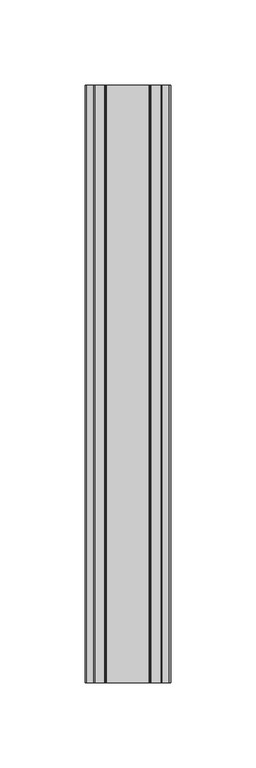
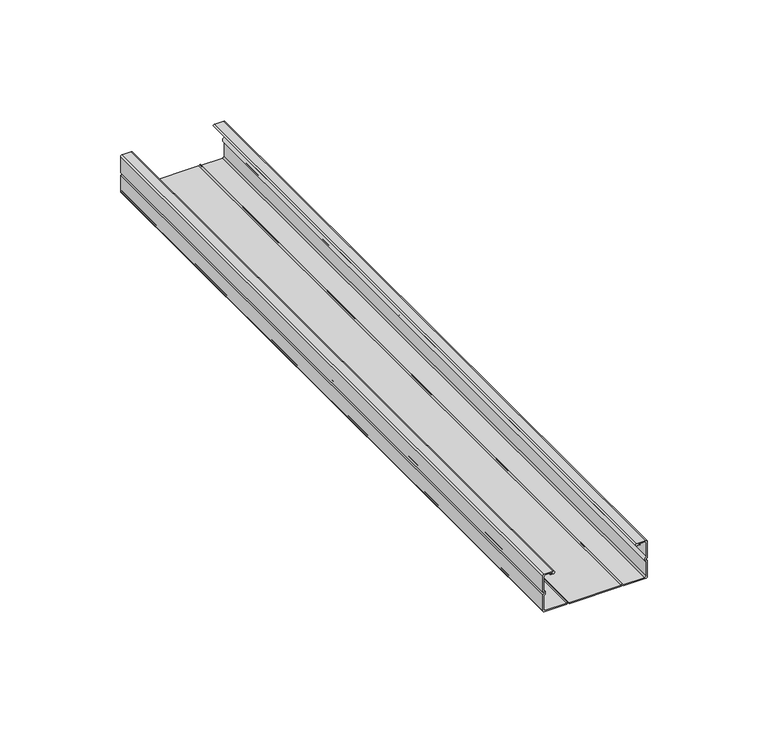
"""IFC4 building model written with IfcOpenShell, lengths in millimetres: proxy geometry."""

from ifc_helpers import new_model, si_unit, point, frame, frame_2d, origin, place, context, project, spatial, polyline, circle_curve, trimmed, segment, composite_curve, outline, extrude, source, transform, mapped, element, save


def generic_models_eb678217(model_context):
    return source(origin(), model_context, "Body", "SweptSolid", [
        extrude(outline(composite_curve([segment(trimmed(circle_curve(frame_2d((9.5, 24.9987371)), 1.25), [point((10.6456439, 24.4987371))], [point((8.3543561, 24.4987371))], False, "CARTESIAN"), True, "CONTINUOUS"), segment(polyline([(8.3543561, 24.4987371), (1.2, 24.4987371)]), True, "CONTINUOUS"), segment(trimmed(circle_curve(frame_2d((1.2, 23.7987371)), 0.7), [point((1.2, 24.4987371))], [point((0.5, 23.7987371))], True, "CARTESIAN"), True, "CONTINUOUS"), segment(polyline([(0.5, 23.7987371), (0.5, 13.4994066), (1.2145521, 12.9990718), (0.5, 12.4987371), (0.5, -12.5005934), (1.2145521, -13.0009282), (0.5, -13.5012629), (0.5, -23.8012629)]), True, "CONTINUOUS"), segment(trimmed(circle_curve(frame_2d((1.2, -23.8012629)), 0.7), [point((0.5, -23.8012629))], [point((1.2, -24.5012629))], True, "CARTESIAN"), True, "CONTINUOUS"), segment(polyline([(1.2, -24.5012629), (8.3543561, -24.5012629)]), True, "CONTINUOUS"), segment(trimmed(circle_curve(frame_2d((9.5, -25.0012629)), 1.25), [point((8.3543561, -24.5012629))], [point((10.6456439, -24.5012629))], False, "CARTESIAN"), True, "CONTINUOUS"), segment(polyline([(10.6456439, -24.5012629), (17.8, -24.5012629)]), True, "CONTINUOUS"), segment(trimmed(circle_curve(frame_2d((17.8, -23.8012629)), 0.7), [point((17.8, -24.5012629))], [point((18.5, -23.8012629))], True, "CARTESIAN"), True, "CONTINUOUS"), segment(polyline([(18.5, -23.8012629), (18.5, -19.9290372), (17.8, -21.5012629), (17.8, -20.0012629)]), True, "CONTINUOUS"), segment(trimmed(circle_curve(frame_2d((18.4, -20.0012629)), 0.6), [point((17.8, -20.0012629))], [point((19.0, -20.0012629))], False, "CARTESIAN"), True, "CONTINUOUS"), segment(polyline([(19.0, -20.0012629), (19.0, -24.3012629)]), True, "CONTINUOUS"), segment(trimmed(circle_curve(frame_2d((18.3, -24.3012629)), 0.7), [point((19.0, -24.3012629))], [point((18.3, -25.0012629))], False, "CARTESIAN"), True, "CONTINUOUS"), segment(polyline([(18.3, -25.0012629), (10.25, -25.0012629)]), True, "CONTINUOUS"), segment(trimmed(circle_curve(frame_2d((9.5, -25.0012629)), 0.75), [point((10.25, -25.0012629))], [point((8.75, -25.0012629))], True, "CARTESIAN"), True, "CONTINUOUS"), segment(polyline([(8.75, -25.0012629), (0.7, -25.0012629)]), True, "CONTINUOUS"), segment(trimmed(circle_curve(frame_2d((0.7, -24.3012629)), 0.7), [point((0.7, -25.0012629))], [point((0.0, -24.3012629))], False, "CARTESIAN"), True, "CONTINUOUS"), segment(polyline([(0.0, -24.3012629), (0.0, -13.5012629), (0.7145521, -13.0009282), (0.0, -12.5005934), (0.0, 12.5005934), (0.7145521, 13.0009282), (0.0, 13.5012629), (0.0, 24.2987371)]), True, "CONTINUOUS"), segment(trimmed(circle_curve(frame_2d((0.7, 24.2987371)), 0.7), [point((0.0, 24.2987371))], [point((0.7, 24.9987371))], False, "CARTESIAN"), True, "CONTINUOUS"), segment(polyline([(0.7, 24.9987371), (8.75, 24.9987371)]), True, "CONTINUOUS"), segment(trimmed(circle_curve(frame_2d((9.5, 24.9987371)), 0.75), [point((8.75, 24.9987371))], [point((10.25, 24.9987371))], True, "CARTESIAN"), True, "CONTINUOUS"), segment(polyline([(10.25, 24.9987371), (18.3, 24.9987371)]), True, "CONTINUOUS"), segment(trimmed(circle_curve(frame_2d((18.3, 24.2987371)), 0.7), [point((18.3, 24.9987371))], [point((19.0, 24.2987371))], False, "CARTESIAN"), True, "CONTINUOUS"), segment(polyline([(19.0, 24.2987371), (19.0, 19.9987371)]), True, "CONTINUOUS"), segment(trimmed(circle_curve(frame_2d((18.4, 19.9987371)), 0.6), [point((19.0, 19.9987371))], [point((17.8, 19.9987371))], False, "CARTESIAN"), True, "CONTINUOUS"), segment(polyline([(17.8, 19.9987371), (17.8, 21.4987371), (18.5, 19.9265113), (18.5, 23.7987371)]), True, "CONTINUOUS"), segment(trimmed(circle_curve(frame_2d((17.8, 23.7987371)), 0.7), [point((18.5, 23.7987371))], [point((17.8, 24.4987371))], True, "CARTESIAN"), True, "CONTINUOUS"), segment(polyline([(17.8, 24.4987371), (10.6456439, 24.4987371)]), True, "CONTINUOUS")], self_intersect=False)), frame((0.0, -350.0, 0.0), z_axis=(0.0, 1.0, 0.0), x_axis=(0.0, 0.0, 1.0)), (0.0, 0.0, 1.0), 350.0),
    ])


if __name__ == "__main__":
    model = new_model("IFC4")
    model_context = context("Model", 3, world=origin())
    ifc_project = project(units=[si_unit("LENGTHUNIT", "METRE", prefix="MILLI")], contexts=[model_context])
    site = spatial("IfcSite", under=ifc_project)
    building = spatial("IfcBuilding", under=site)
    placement = place(None, origin())
    generic_models_shape = generic_models_eb678217(model_context)
    element("IfcBuildingElementProxy", 1, Name="Generic Models", at=placement, inside=building, context=model_context, shape_type="MappedRepresentation", body=[
        mapped(generic_models_shape, transform((0.0, 0.0, 0.0), x_axis=(1.0, 0.0, 0.0), y_axis=(0.0, 1.0, 0.0), z_axis=(0.0, 0.0, 1.0))),
    ])
    save(model, "model.ifc")
